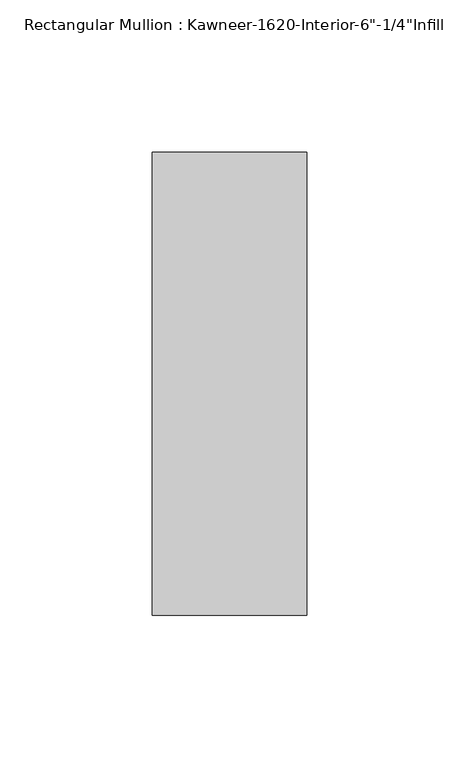
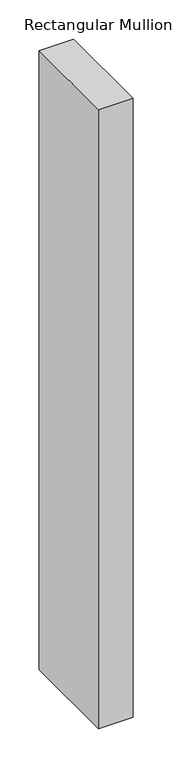
"""IFC4 building model written with IfcOpenShell, lengths in millimetres: member geometry."""

from ifc_helpers import new_model, si_unit, frame, origin, place, context, project, spatial, polyline, outline, extrude, source, transform, mapped, element, save


def member_0a957e08(model_context):
    return source(origin(), model_context, "Body", "SweptSolid", [
        extrude(outline(polyline([(25.4, -123.825), (-25.4, -123.825), (-25.4, 28.575), (25.4, 28.575), (25.4, -123.825)])), frame((0.0, 0.0, -965.1758018), z_axis=(0.0, 0.0, 1.0), x_axis=(1.0, 0.0, 0.0)), (0.0, 0.0, 1.0), 965.1758018),
    ])


if __name__ == "__main__":
    model = new_model("IFC4")
    model_context = context("Model", 3, world=origin())
    ifc_project = project(units=[si_unit("LENGTHUNIT", "METRE", prefix="MILLI")], contexts=[model_context])
    site = spatial("IfcSite", under=ifc_project)
    building = spatial("IfcBuilding", under=site)
    placement = place(None, origin())
    member_shape = member_0a957e08(model_context)
    element("IfcMember", 1, ObjectType="Rectangular Mullion : Kawneer-1620-Interior-6\"-1/4\"Infill", at=placement, inside=building, context=model_context, shape_type="MappedRepresentation", body=[
        mapped(member_shape, transform((0.0, 0.0, 0.0), x_axis=(1.0, 0.0, 0.0), y_axis=(0.0, 1.0, 0.0), z_axis=(0.0, 0.0, 1.0))),
    ])
    save(model, "model.ifc")
